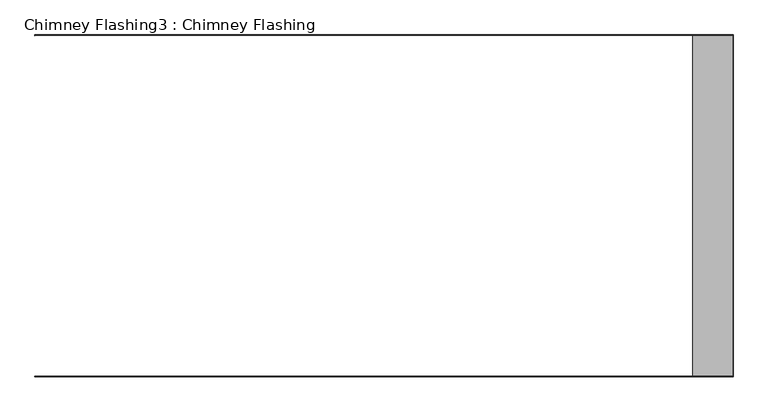
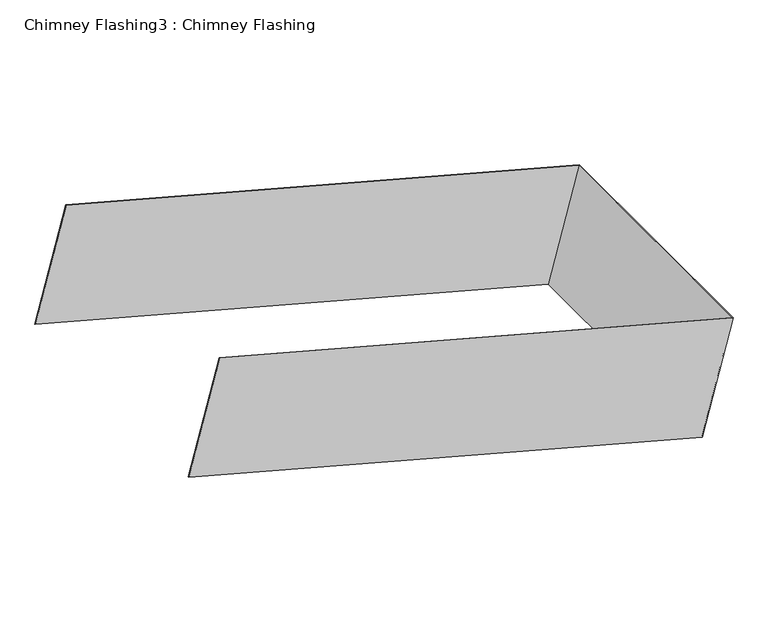
"""IFC4 building model written with IfcOpenShell, lengths in millimetres: proxy geometry, Chimney Flashing3 : Chimney Flashing."""

from ifc_helpers import new_model, si_unit, frame, origin, place, context, project, spatial, polyline, outline, extrude, source, transform, mapped, element, save


def chimney_flashing3_chimney_flashing_220c0cee(model_context):
    return source(origin(), model_context, "Body", "SweptSolid", [
        extrude(outline(polyline([(0.0, -1.0), (0.0, 0.0), (1200.9999999, 0.0), (1200.9999999, -602.0), (0.0, -602.0), (0.0, -601.0), (1199.9999999, -601.0), (1199.9999999, -1.0), (0.0, -1.0)])), frame((9864.037993, -12620.7134194, 9984.2509927), z_axis=(0.25856567691211163, 0.0, 0.9659936804777667), x_axis=(0.9659936804777667, 0.0, -0.25856567691211163)), (0.0, 0.0, 1.0), 269.6718079),
    ])


if __name__ == "__main__":
    model = new_model("IFC4")
    model_context = context("Model", 3, world=origin())
    ifc_project = project(units=[si_unit("LENGTHUNIT", "METRE", prefix="MILLI")], contexts=[model_context])
    site = spatial("IfcSite", under=ifc_project)
    building = spatial("IfcBuilding", under=site)
    placement = place(None, origin())
    chimney_flashing3_chimney_flashing_shape = chimney_flashing3_chimney_flashing_220c0cee(model_context)
    element("IfcBuildingElementProxy", 1, Name="Chimney Flashing3 : Chimney Flashing", ObjectType="Chimney Flashing3 : Chimney Flashing", at=placement, inside=building, context=model_context, shape_type="MappedRepresentation", body=[
        mapped(chimney_flashing3_chimney_flashing_shape, transform((0.0, 0.0, 0.0), x_axis=(1.0, 0.0, 0.0), y_axis=(0.0, 1.0, 0.0), z_axis=(0.0, 0.0, 1.0))),
    ])
    save(model, "model.ifc")
